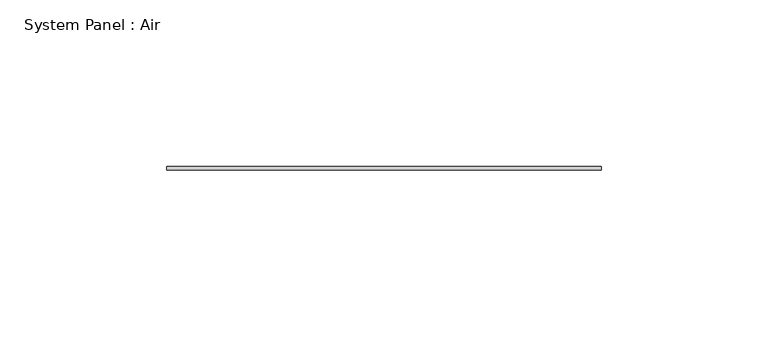
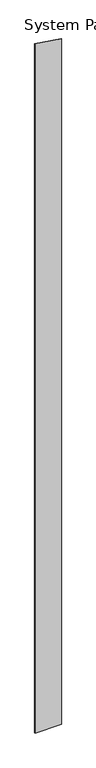
"""IFC4 building model written with IfcOpenShell, lengths in millimetres: plate geometry, System Panel : Air."""

import ifcopenshell
import ifcopenshell.guid

model = None  # the IFC model being written
_history = None  # IfcOwnerHistory: only IFC2X3 demands one
_inside = {}  # id of a spatial element -> (the spatial element, [elements in it])
_under = {}  # id of a project, library or spatial element -> (it, [spatial elements below it])
_declared = {}  # id of a project -> (the project, [libraries it declares])
_typed = {}  # id of a type object -> (the type object, [elements of that type])
_made_of = {}  # id of a material, layer set ... -> (it, [elements and type objects made of it])


def new_model(schema):
    """Start an empty IFC model of exactly this schema.

    Asked for "IFC4X3", IfcOpenShell would pick the latest addendum, in which some entities
    have other attributes; the version numbers below select the first issue.
    IFC2X3 requires an IfcOwnerHistory on every rooted entity: one is made here for all.
    """
    global model, _history
    if schema == "IFC4X3":
        model = ifcopenshell.file(schema_version=(4, 3, 0, 0))
    else:
        model = ifcopenshell.file(schema=schema)
    _inside.clear()
    _under.clear()
    _declared.clear()
    _typed.clear()
    _made_of.clear()
    _history = None
    if model.schema == "IFC2X3":
        org = make("IfcOrganization", Name="unknown")
        user = make(
            "IfcPersonAndOrganization",
            ThePerson=make("IfcPerson", FamilyName="unknown"),
            TheOrganization=org,
        )
        app = make(
            "IfcApplication",
            ApplicationDeveloper=org,
            Version="unknown",
            ApplicationFullName="unknown",
            ApplicationIdentifier="unknown",
        )
        _history = make(
            "IfcOwnerHistory",
            OwningUser=user,
            OwningApplication=app,
            ChangeAction="ADDED",
            CreationDate=0,
        )
    return model


def make(cls, **values):
    """One entity of the class cls with the attributes given. An attribute that is None is left unset."""
    return model.create_entity(
        cls, **{name: value for name, value in values.items() if value is not None}
    )


def rooted(cls, **values):
    """An entity with a GlobalId (a new one), such as an element, a storey or a relation."""
    return make(cls, GlobalId=ifcopenshell.guid.new(), OwnerHistory=_history, **values)


def si_unit(unit_type, name, prefix=None):
    """IfcSIUnit, for example si_unit("LENGTHUNIT", "METRE", prefix="MILLI")."""
    return make("IfcSIUnit", UnitType=unit_type, Prefix=prefix, Name=name)


def assignment(units):
    """IfcUnitAssignment: the units of a project."""
    return None if units is None else make("IfcUnitAssignment", Units=units)


def point(xyz):
    """IfcCartesianPoint."""
    return None if xyz is None else make("IfcCartesianPoint", Coordinates=xyz)


def direction(xyz):
    """IfcDirection."""
    return None if xyz is None else make("IfcDirection", DirectionRatios=xyz)


def frame(location, z_axis=None, x_axis=None):
    """IfcAxis2Placement3D, a coordinate frame: its origin and axes. An axis left out is left unset."""
    return make(
        "IfcAxis2Placement3D",
        Location=point(location),
        Axis=direction(z_axis),
        RefDirection=direction(x_axis),
    )


def origin():
    """The frame at (0, 0, 0) with its axes left unset."""
    return frame((0.0, 0.0, 0.0))


def place(relative_to, where):
    """IfcLocalPlacement: puts the frame where relative to a parent placement (None: the world)."""
    return make(
        "IfcLocalPlacement", PlacementRelTo=relative_to, RelativePlacement=where
    )


def context(
    kind, dimensions, precision=None, world=None, true_north=None, identifier=None
):
    """IfcGeometricRepresentationContext, for example the 3D "Model" context."""
    return make(
        "IfcGeometricRepresentationContext",
        ContextIdentifier=identifier,
        ContextType=kind,
        CoordinateSpaceDimension=dimensions,
        Precision=precision,
        WorldCoordinateSystem=world,
        TrueNorth=true_north,
    )


def project(units=None, contexts=None):
    """IfcProject with its units and contexts."""
    return rooted(
        "IfcProject",
        Name="project",
        RepresentationContexts=contexts,
        UnitsInContext=assignment(units),
    )


def spatial(cls, under=None, at=None, **own):
    """A site, building, storey or space (cls), placed at a placement, below another one or the project."""
    s = rooted(cls, ObjectPlacement=at, **own)
    if under is not None:
        _under.setdefault(under.id(), (under, []))[1].append(s)
    return s


def polyline(points):
    """IfcPolyline through the points."""
    return make("IfcPolyline", Points=[point(p) for p in points])


def outline(outer, holes=None, kind="AREA"):
    """IfcArbitraryClosedProfileDef: a profile drawn as a closed curve; with holes, ...WithVoids."""
    if holes is None:
        return make("IfcArbitraryClosedProfileDef", ProfileType=kind, OuterCurve=outer)
    return make(
        "IfcArbitraryProfileDefWithVoids",
        ProfileType=kind,
        OuterCurve=outer,
        InnerCurves=holes,
    )


def extrude(swept, where, along, depth):
    """IfcExtrudedAreaSolid: the profile swept, set in the frame where, extruded along a direction by depth."""
    return make(
        "IfcExtrudedAreaSolid",
        SweptArea=swept,
        Position=where,
        ExtrudedDirection=direction(along),
        Depth=depth,
    )


def shape(context_of_items, identifier, shape_type, items):
    """IfcShapeRepresentation: the items that make up one representation, for example the "Body"."""
    return make(
        "IfcShapeRepresentation",
        ContextOfItems=context_of_items,
        RepresentationIdentifier=identifier,
        RepresentationType=shape_type,
        Items=items,
    )


def source(mapping_origin, context_of_items, identifier, shape_type, items):
    """IfcRepresentationMap: a shape defined once, which mapped items show again and again."""
    return make(
        "IfcRepresentationMap",
        MappingOrigin=mapping_origin,
        MappedRepresentation=shape(context_of_items, identifier, shape_type, items),
    )


def transform(
    local_origin,
    x_axis=None,
    y_axis=None,
    z_axis=None,
    scale=None,
    scale2=None,
    scale3=None,
    uniform=True,
):
    """IfcCartesianTransformationOperator3D, or its non-uniform kind. x_axis, y_axis, z_axis: its Axis1, 2, 3."""
    if uniform:
        return make(
            "IfcCartesianTransformationOperator3D",
            Axis1=direction(x_axis),
            Axis2=direction(y_axis),
            LocalOrigin=point(local_origin),
            Scale=scale,
            Axis3=direction(z_axis),
        )
    return make(
        "IfcCartesianTransformationOperator3DnonUniform",
        Axis1=direction(x_axis),
        Axis2=direction(y_axis),
        LocalOrigin=point(local_origin),
        Scale=scale,
        Axis3=direction(z_axis),
        Scale2=scale2,
        Scale3=scale3,
    )


def mapped(mapping_source, mapping_target):
    """IfcMappedItem: shows the shape of a source again, moved by a transform."""
    return make(
        "IfcMappedItem", MappingSource=mapping_source, MappingTarget=mapping_target
    )


def made_of(thing, what):
    """Note that an element or type object is made of a material, layer set ...; save() writes the relation."""
    if what is not None:
        _made_of.setdefault(what.id(), (what, []))[1].append(thing)
    return thing


def element(
    cls,
    number,
    at=None,
    inside=None,
    cuts=None,
    type_object=None,
    material=None,
    context=None,
    identifier="Body",
    shape_type=None,
    held_by="IfcProductDefinitionShape",
    body=None,
    shapes=None,
    **own,
):
    """One element of the class cls, such as IfcWall. Its Tag is "e" and its number.

    at: its placement. inside: the storey or other place that contains it. cuts: it is an
    opening in that element (IfcRelVoidsElement). A single representation is given by context,
    identifier, shape_type and body (its items); several are given by shapes. held_by: the class
    of the entity that holds the representations. save() writes the other relations.
    """
    e = rooted(cls, Tag="e%d" % number, ObjectPlacement=at, **own)
    if body is not None:
        shapes = [shape(context, identifier, shape_type, body)]
    if shapes is not None:
        e.Representation = make(held_by, Representations=shapes)
    if inside is not None:
        _inside.setdefault(inside.id(), (inside, []))[1].append(e)
    if cuts is not None:
        rooted(
            "IfcRelVoidsElement", RelatingBuildingElement=cuts, RelatedOpeningElement=e
        )
    if type_object is not None:
        _typed.setdefault(type_object.id(), (type_object, []))[1].append(e)
    return made_of(e, material)


def aggregate(whole, parts):
    """IfcRelAggregates: a whole, such as a stair, and the parts it consists of."""
    return rooted("IfcRelAggregates", RelatingObject=whole, RelatedObjects=parts)


def save(model, path):
    """Write the relations noted so far, then the file.

    IfcRelAggregates (storeys below a building ...), IfcRelContainedInSpatialStructure (elements
    in a storey), IfcRelDefinesByType, IfcRelAssociatesMaterial and IfcRelDeclares: one each for
    every whole, place, type object, material and project.
    """
    for whole, parts in _under.values():
        aggregate(whole, parts)
    for where, things in _inside.values():
        rooted(
            "IfcRelContainedInSpatialStructure",
            RelatedElements=things,
            RelatingStructure=where,
        )
    for kind, things in _typed.values():
        rooted("IfcRelDefinesByType", RelatedObjects=things, RelatingType=kind)
    for what, things in _made_of.values():
        rooted("IfcRelAssociatesMaterial", RelatedObjects=things, RelatingMaterial=what)
    for by, libraries in _declared.values():
        rooted("IfcRelDeclares", RelatingContext=by, RelatedDefinitions=libraries)
    model.write(path)


def system_panel_air_33a215d0(model_context):
    return source(origin(), model_context, "Body", "SweptSolid", [
        extrude(outline(polyline([(0.0, -65.0), (0.0, 65.0), (3548.8773429, 65.0), (3568.1315386, -65.0), (0.0, -65.0)])), frame((0.0, 36.5, 0.0), z_axis=(0.0, 1.0, 0.0), x_axis=(0.0, 0.0, 1.0)), (0.0, 0.0, 1.0), 1.0),
    ])


if __name__ == "__main__":
    model = new_model("IFC4")
    model_context = context("Model", 3, world=origin())
    ifc_project = project(units=[si_unit("LENGTHUNIT", "METRE", prefix="MILLI")], contexts=[model_context])
    site = spatial("IfcSite", under=ifc_project)
    building = spatial("IfcBuilding", under=site)
    placement = place(None, origin())
    system_panel_air_shape = system_panel_air_33a215d0(model_context)
    element("IfcPlate", 1, ObjectType="System Panel : Air", at=placement, inside=building, context=model_context, shape_type="MappedRepresentation", body=[
        mapped(system_panel_air_shape, transform((0.0, 0.0, 0.0), x_axis=(1.0, 0.0, 0.0), y_axis=(0.0, 1.0, 0.0), z_axis=(0.0, 0.0, 1.0))),
    ])
    save(model, "model.ifc")
